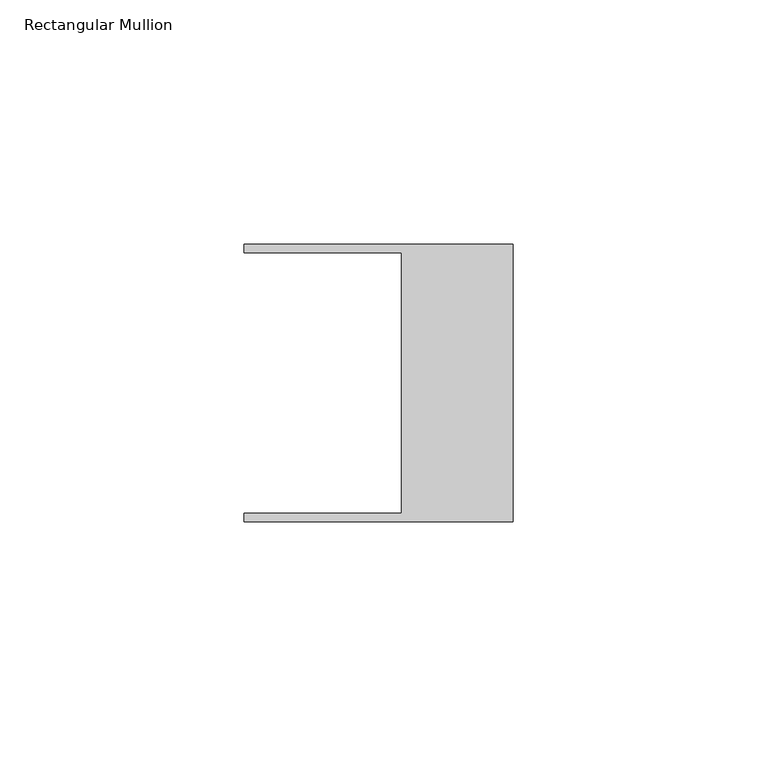
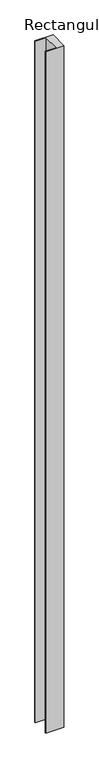
"""IFC4 building model written with IfcOpenShell, lengths in millimetres: member geometry, Rectangular Mullion."""

import ifcopenshell
import ifcopenshell.guid

model = None  # the IFC model being written
_history = None  # IfcOwnerHistory: only IFC2X3 demands one
_inside = {}  # id of a spatial element -> (the spatial element, [elements in it])
_under = {}  # id of a project, library or spatial element -> (it, [spatial elements below it])
_declared = {}  # id of a project -> (the project, [libraries it declares])
_typed = {}  # id of a type object -> (the type object, [elements of that type])
_made_of = {}  # id of a material, layer set ... -> (it, [elements and type objects made of it])


def new_model(schema):
    """Start an empty IFC model of exactly this schema.

    Asked for "IFC4X3", IfcOpenShell would pick the latest addendum, in which some entities
    have other attributes; the version numbers below select the first issue.
    IFC2X3 requires an IfcOwnerHistory on every rooted entity: one is made here for all.
    """
    global model, _history
    if schema == "IFC4X3":
        model = ifcopenshell.file(schema_version=(4, 3, 0, 0))
    else:
        model = ifcopenshell.file(schema=schema)
    _inside.clear()
    _under.clear()
    _declared.clear()
    _typed.clear()
    _made_of.clear()
    _history = None
    if model.schema == "IFC2X3":
        org = make("IfcOrganization", Name="unknown")
        user = make(
            "IfcPersonAndOrganization",
            ThePerson=make("IfcPerson", FamilyName="unknown"),
            TheOrganization=org,
        )
        app = make(
            "IfcApplication",
            ApplicationDeveloper=org,
            Version="unknown",
            ApplicationFullName="unknown",
            ApplicationIdentifier="unknown",
        )
        _history = make(
            "IfcOwnerHistory",
            OwningUser=user,
            OwningApplication=app,
            ChangeAction="ADDED",
            CreationDate=0,
        )
    return model


def make(cls, **values):
    """One entity of the class cls with the attributes given. An attribute that is None is left unset."""
    return model.create_entity(
        cls, **{name: value for name, value in values.items() if value is not None}
    )


def rooted(cls, **values):
    """An entity with a GlobalId (a new one), such as an element, a storey or a relation."""
    return make(cls, GlobalId=ifcopenshell.guid.new(), OwnerHistory=_history, **values)


def si_unit(unit_type, name, prefix=None):
    """IfcSIUnit, for example si_unit("LENGTHUNIT", "METRE", prefix="MILLI")."""
    return make("IfcSIUnit", UnitType=unit_type, Prefix=prefix, Name=name)


def assignment(units):
    """IfcUnitAssignment: the units of a project."""
    return None if units is None else make("IfcUnitAssignment", Units=units)


def point(xyz):
    """IfcCartesianPoint."""
    return None if xyz is None else make("IfcCartesianPoint", Coordinates=xyz)


def direction(xyz):
    """IfcDirection."""
    return None if xyz is None else make("IfcDirection", DirectionRatios=xyz)


def frame(location, z_axis=None, x_axis=None):
    """IfcAxis2Placement3D, a coordinate frame: its origin and axes. An axis left out is left unset."""
    return make(
        "IfcAxis2Placement3D",
        Location=point(location),
        Axis=direction(z_axis),
        RefDirection=direction(x_axis),
    )


def origin():
    """The frame at (0, 0, 0) with its axes left unset."""
    return frame((0.0, 0.0, 0.0))


def place(relative_to, where):
    """IfcLocalPlacement: puts the frame where relative to a parent placement (None: the world)."""
    return make(
        "IfcLocalPlacement", PlacementRelTo=relative_to, RelativePlacement=where
    )


def context(
    kind, dimensions, precision=None, world=None, true_north=None, identifier=None
):
    """IfcGeometricRepresentationContext, for example the 3D "Model" context."""
    return make(
        "IfcGeometricRepresentationContext",
        ContextIdentifier=identifier,
        ContextType=kind,
        CoordinateSpaceDimension=dimensions,
        Precision=precision,
        WorldCoordinateSystem=world,
        TrueNorth=true_north,
    )


def project(units=None, contexts=None):
    """IfcProject with its units and contexts."""
    return rooted(
        "IfcProject",
        Name="project",
        RepresentationContexts=contexts,
        UnitsInContext=assignment(units),
    )


def spatial(cls, under=None, at=None, **own):
    """A site, building, storey or space (cls), placed at a placement, below another one or the project."""
    s = rooted(cls, ObjectPlacement=at, **own)
    if under is not None:
        _under.setdefault(under.id(), (under, []))[1].append(s)
    return s


def polyline(points):
    """IfcPolyline through the points."""
    return make("IfcPolyline", Points=[point(p) for p in points])


def outline(outer, holes=None, kind="AREA"):
    """IfcArbitraryClosedProfileDef: a profile drawn as a closed curve; with holes, ...WithVoids."""
    if holes is None:
        return make("IfcArbitraryClosedProfileDef", ProfileType=kind, OuterCurve=outer)
    return make(
        "IfcArbitraryProfileDefWithVoids",
        ProfileType=kind,
        OuterCurve=outer,
        InnerCurves=holes,
    )


def extrude(swept, where, along, depth):
    """IfcExtrudedAreaSolid: the profile swept, set in the frame where, extruded along a direction by depth."""
    return make(
        "IfcExtrudedAreaSolid",
        SweptArea=swept,
        Position=where,
        ExtrudedDirection=direction(along),
        Depth=depth,
    )


def shape(context_of_items, identifier, shape_type, items):
    """IfcShapeRepresentation: the items that make up one representation, for example the "Body"."""
    return make(
        "IfcShapeRepresentation",
        ContextOfItems=context_of_items,
        RepresentationIdentifier=identifier,
        RepresentationType=shape_type,
        Items=items,
    )


def source(mapping_origin, context_of_items, identifier, shape_type, items):
    """IfcRepresentationMap: a shape defined once, which mapped items show again and again."""
    return make(
        "IfcRepresentationMap",
        MappingOrigin=mapping_origin,
        MappedRepresentation=shape(context_of_items, identifier, shape_type, items),
    )


def transform(
    local_origin,
    x_axis=None,
    y_axis=None,
    z_axis=None,
    scale=None,
    scale2=None,
    scale3=None,
    uniform=True,
):
    """IfcCartesianTransformationOperator3D, or its non-uniform kind. x_axis, y_axis, z_axis: its Axis1, 2, 3."""
    if uniform:
        return make(
            "IfcCartesianTransformationOperator3D",
            Axis1=direction(x_axis),
            Axis2=direction(y_axis),
            LocalOrigin=point(local_origin),
            Scale=scale,
            Axis3=direction(z_axis),
        )
    return make(
        "IfcCartesianTransformationOperator3DnonUniform",
        Axis1=direction(x_axis),
        Axis2=direction(y_axis),
        LocalOrigin=point(local_origin),
        Scale=scale,
        Axis3=direction(z_axis),
        Scale2=scale2,
        Scale3=scale3,
    )


def mapped(mapping_source, mapping_target):
    """IfcMappedItem: shows the shape of a source again, moved by a transform."""
    return make(
        "IfcMappedItem", MappingSource=mapping_source, MappingTarget=mapping_target
    )


def made_of(thing, what):
    """Note that an element or type object is made of a material, layer set ...; save() writes the relation."""
    if what is not None:
        _made_of.setdefault(what.id(), (what, []))[1].append(thing)
    return thing


def element(
    cls,
    number,
    at=None,
    inside=None,
    cuts=None,
    type_object=None,
    material=None,
    context=None,
    identifier="Body",
    shape_type=None,
    held_by="IfcProductDefinitionShape",
    body=None,
    shapes=None,
    **own,
):
    """One element of the class cls, such as IfcWall. Its Tag is "e" and its number.

    at: its placement. inside: the storey or other place that contains it. cuts: it is an
    opening in that element (IfcRelVoidsElement). A single representation is given by context,
    identifier, shape_type and body (its items); several are given by shapes. held_by: the class
    of the entity that holds the representations. save() writes the other relations.
    """
    e = rooted(cls, Tag="e%d" % number, ObjectPlacement=at, **own)
    if body is not None:
        shapes = [shape(context, identifier, shape_type, body)]
    if shapes is not None:
        e.Representation = make(held_by, Representations=shapes)
    if inside is not None:
        _inside.setdefault(inside.id(), (inside, []))[1].append(e)
    if cuts is not None:
        rooted(
            "IfcRelVoidsElement", RelatingBuildingElement=cuts, RelatedOpeningElement=e
        )
    if type_object is not None:
        _typed.setdefault(type_object.id(), (type_object, []))[1].append(e)
    return made_of(e, material)


def aggregate(whole, parts):
    """IfcRelAggregates: a whole, such as a stair, and the parts it consists of."""
    return rooted("IfcRelAggregates", RelatingObject=whole, RelatedObjects=parts)


def save(model, path):
    """Write the relations noted so far, then the file.

    IfcRelAggregates (storeys below a building ...), IfcRelContainedInSpatialStructure (elements
    in a storey), IfcRelDefinesByType, IfcRelAssociatesMaterial and IfcRelDeclares: one each for
    every whole, place, type object, material and project.
    """
    for whole, parts in _under.values():
        aggregate(whole, parts)
    for where, things in _inside.values():
        rooted(
            "IfcRelContainedInSpatialStructure",
            RelatedElements=things,
            RelatingStructure=where,
        )
    for kind, things in _typed.values():
        rooted("IfcRelDefinesByType", RelatedObjects=things, RelatingType=kind)
    for what, things in _made_of.values():
        rooted("IfcRelAssociatesMaterial", RelatedObjects=things, RelatingMaterial=what)
    for by, libraries in _declared.values():
        rooted("IfcRelDeclares", RelatingContext=by, RelatedDefinitions=libraries)
    model.write(path)


def rectangular_mullion_c3dc9553(model_context):
    return source(origin(), model_context, "Body", "SweptSolid", [
        extrude(outline(polyline([(-55.118, 26.67), (-55.118, 28.448), (0.0, 28.448), (0.0, -28.448), (-55.118, -28.448), (-55.118, -26.67), (-22.86, -26.67), (-22.86, 26.67), (-55.118, 26.67)])), frame((0.0, 0.0, -2184.4), z_axis=(0.0, 0.0, 1.0), x_axis=(1.0, 0.0, 0.0)), (0.0, 0.0, 1.0), 2184.4),
    ])


if __name__ == "__main__":
    model = new_model("IFC4")
    model_context = context("Model", 3, world=origin())
    ifc_project = project(units=[si_unit("LENGTHUNIT", "METRE", prefix="MILLI")], contexts=[model_context])
    site = spatial("IfcSite", under=ifc_project)
    building = spatial("IfcBuilding", under=site)
    placement = place(None, origin())
    rectangular_mullion_shape = rectangular_mullion_c3dc9553(model_context)
    element("IfcMember", 1, ObjectType="Rectangular Mullion", at=placement, inside=building, context=model_context, shape_type="MappedRepresentation", body=[
        mapped(rectangular_mullion_shape, transform((0.0, 0.0, 0.0), x_axis=(1.0, 0.0, 0.0), y_axis=(0.0, 1.0, 0.0), z_axis=(0.0, 0.0, 1.0))),
    ])
    save(model, "model.ifc")
